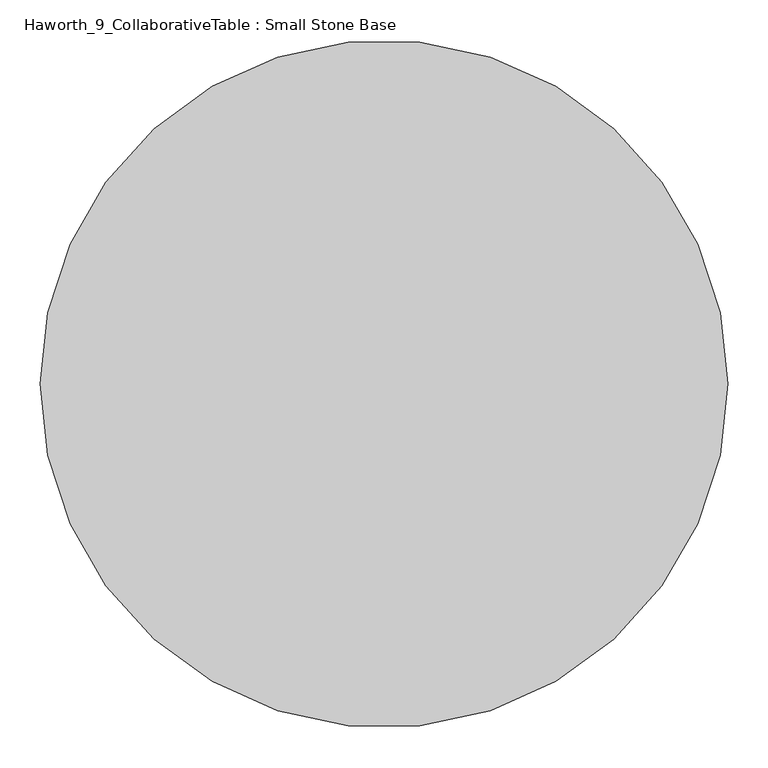
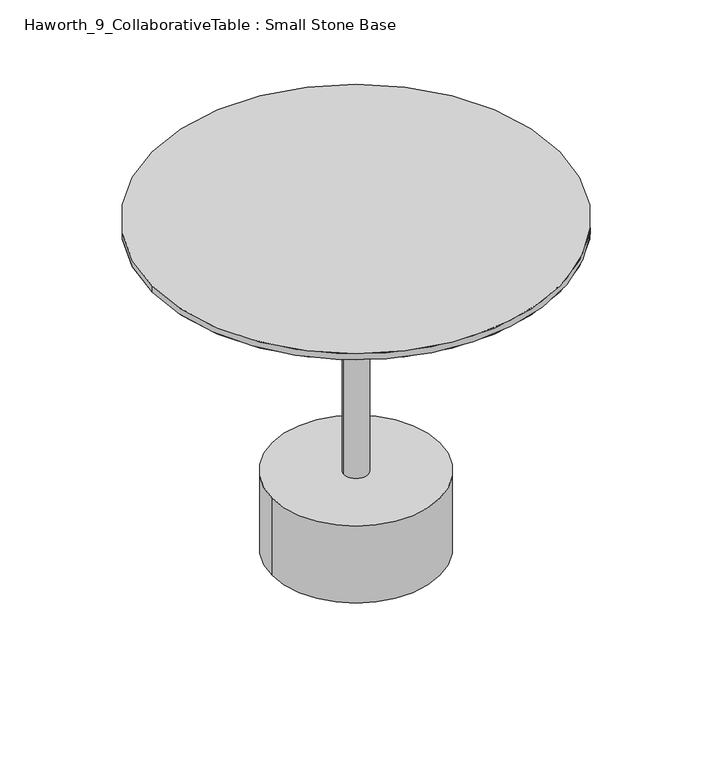
"""IFC4 building model written with IfcOpenShell, lengths in millimetres: furniture geometry, Haworth_9_CollaborativeTable : Small Stone Base."""

from ifc_helpers import new_model, si_unit, point, frame, frame_2d, origin, origin_with_axes, place, context, project, spatial, polyline, circle_curve, trimmed, segment, composite_curve, outline, extrude, source, transform, mapped, element, save
from ifc_brep_helpers import plane_surface, revolved_surface, advanced_brep


def haworth_9_collaborativetable_small_stone_base_5c196dc9(model_context):
    return source(origin(), model_context, "Body", "SolidModel", [
        extrude(outline(composite_curve([segment(trimmed(circle_curve(frame_2d((-155.4452882, -292.1)), 325.2780625), [point((-480.7233507, -292.1))], [point((169.8327744, -292.1))], False, "CARTESIAN"), True, "CONTINUOUS"), segment(trimmed(circle_curve(frame_2d((-155.4452882, -292.1)), 325.2780625), [point((169.8327744, -292.1))], [point((-480.7233507, -292.1))], False, "CARTESIAN"), True, "CONTINUOUS")], self_intersect=False)), frame((0.0, 0.0, 698.9800095), z_axis=(0.0, 0.0, 1.0), x_axis=(1.0, 0.0, 0.0)), (0.0, 0.0, 1.0), 2.9999622),
        advanced_brep(
        [(-448.647757, -292.1027186, 698.9800095), (137.7571807, -292.1027186, 698.9800095), (-155.4452882, -292.1027186, 698.9800095), (-379.8914523, -292.1027186, 674.4799788), (69.000876, -292.1027186, 674.4799788), (-155.4452882, -292.1027186, 674.4799788)],
        [
            (0, 1, circle_curve(frame((-155.4452882, -292.1027186, 698.9800095), z_axis=(0.0, 0.0, 1.0), x_axis=(1.0, 0.0, 0.0)), 293.2024688)),
            (1, 2),
            (2, 0),
            (1, 0, circle_curve(frame((-155.4452882, -292.1027186, 698.9800095), z_axis=(0.0, 0.0, 1.0), x_axis=(1.0, 0.0, 0.0)), 293.2024688)),
            (3, 4, circle_curve(frame((-155.4452882, -292.1027186, 674.4799788), z_axis=(0.0, 0.0, 1.0), x_axis=(1.0, 0.0, 0.0)), 224.4461642)),
            (4, 1),
            (0, 3),
            (4, 3, circle_curve(frame((-155.4452882, -292.1027186, 674.4799788), z_axis=(0.0, 0.0, 1.0), x_axis=(1.0, 0.0, 0.0)), 224.4461642)),
            (5, 4),
            (3, 5),
        ],
        [
            plane_surface(frame((-155.4452882, -292.1027186, 698.9800095), z_axis=(0.0, 0.0, 1.0), x_axis=(1.0, 0.0, 0.0))),
            revolved_surface(polyline([(137.7571807, -292.1027186, 698.9800095), (69.000876, -292.1027186, 674.4799788)]), (-155.4452882, -292.1027186, 696.9852728), (0.0, 0.0, -1.0)),
            plane_surface(frame((-155.4452882, -292.1027186, 674.4799788), z_axis=(0.0, 0.0, -1.0), x_axis=(1.0, 0.0, 0.0))),
        ],
        [
            (0, [[1, 2, 3]]),
            (0, [[4, -3, -2]]),
            (1, [[5, 6, -1, 7]]),
            (1, [[8, -7, -4, -6]]),
            (2, [[9, -5, 10]]),
            (2, [[-10, -8, -9]]),
        ],
    ),
        extrude(outline(composite_curve([segment(trimmed(circle_curve(frame_2d((-155.4452882, -292.1)), 25.1789912), [point((-180.6242793, -292.1))], [point((-130.266297, -292.1))], False, "CARTESIAN"), True, "CONTINUOUS"), segment(trimmed(circle_curve(frame_2d((-155.4452882, -292.1)), 25.1789912), [point((-130.266297, -292.1))], [point((-180.6242793, -292.1))], False, "CARTESIAN"), True, "CONTINUOUS")], self_intersect=False)), frame((0.0, 0.0, 173.1865621), z_axis=(0.0, 0.0, 1.0), x_axis=(1.0, 0.0, 0.0)), (0.0, 0.0, 1.0), 508.7254665),
        extrude(outline(composite_curve([segment(trimmed(circle_curve(frame_2d((-155.4452882, -292.1)), 167.901137), [point((-323.3464252, -292.1))], [point((12.4558489, -292.1))], False, "CARTESIAN"), True, "CONTINUOUS"), segment(trimmed(circle_curve(frame_2d((-155.4452882, -292.1)), 167.901137), [point((12.4558489, -292.1))], [point((-323.3464252, -292.1))], False, "CARTESIAN"), True, "CONTINUOUS")], self_intersect=False)), origin_with_axes(), (0.0, 0.0, 1.0), 3.0065621),
        extrude(outline(composite_curve([segment(trimmed(circle_curve(frame_2d((-155.4452882, -292.1)), 175.3123083), [point((-330.7575964, -292.1))], [point((19.8670201, -292.1))], False, "CARTESIAN"), True, "CONTINUOUS"), segment(trimmed(circle_curve(frame_2d((-155.4452882, -292.1)), 175.3123083), [point((19.8670201, -292.1))], [point((-330.7575964, -292.1))], False, "CARTESIAN"), True, "CONTINUOUS")], self_intersect=False)), frame((0.0, 0.0, 3.0065621), z_axis=(0.0, 0.0, 1.0), x_axis=(1.0, 0.0, 0.0)), (0.0, 0.0, 1.0), 170.18),
        extrude(outline(composite_curve([segment(trimmed(circle_curve(frame_2d((-155.4452882, -292.1)), 425.45), [point((-580.8952882, -292.1))], [point((270.0047118, -292.1))], False, "CARTESIAN"), True, "CONTINUOUS"), segment(trimmed(circle_curve(frame_2d((-155.4452882, -292.1)), 425.45), [point((270.0047118, -292.1))], [point((-580.8952882, -292.1))], False, "CARTESIAN"), True, "CONTINUOUS")], self_intersect=False)), frame((0.0, 0.0, 715.7948988), z_axis=(0.0, 0.0, 1.0), x_axis=(1.0, 0.0, 0.0)), (0.0, 0.0, 1.0), 13.1851012),
        advanced_brep(
        [(-580.8952882, -292.1, 715.7948988), (270.0047118, -292.1, 715.7948988), (-537.7152882, -292.1, 701.9799717), (226.8247118, -292.1, 701.9799717)],
        [
            (0, 1, circle_curve(frame((-155.4452882, -292.1, 715.7948988), z_axis=(0.0, 0.0, 1.0), x_axis=(-1.0, 0.0, 0.0)), 425.45)),
            (1, 0, circle_curve(frame((-155.4452882, -292.1, 715.7948988), z_axis=(0.0, 0.0, 1.0), x_axis=(1.0, 0.0, 0.0)), 425.45)),
            (2, 3, circle_curve(frame((-155.4452882, -292.1, 701.9799717), z_axis=(0.0, 0.0, -1.0), x_axis=(1.0, 0.0, 0.0)), 382.27)),
            (3, 2, circle_curve(frame((-155.4452882, -292.1, 701.9799717), z_axis=(0.0, 0.0, -1.0), x_axis=(-1.0, 0.0, 0.0)), 382.27)),
            (3, 1),
            (0, 2),
        ],
        [
            plane_surface(frame((-155.4452882, -292.1, 715.7948988), z_axis=(0.0, 0.0, 1.0), x_axis=(0.0, -1.0, 0.0))),
            plane_surface(frame((-155.4452882, -292.1, 701.9799717), z_axis=(0.0, 0.0, -1.0), x_axis=(0.0, -1.0, 0.0))),
            revolved_surface(polyline([(226.8247118083969, -292.1, 701.9799717), (270.0047118, -292.1, 715.7948988)]), (-155.4452882, -292.1, 579.6772347), (0.0, 0.0, 1.0)),
            revolved_surface(polyline([(-537.7152882083969, -292.1, 701.9799717), (-580.8952882, -292.1, 715.7948988)]), (-155.4452882, -292.1, 579.6772347), (0.0, 0.0, 1.0)),
        ],
        [
            (0, [[1, 2]]),
            (1, [[3, 4]]),
            (2, [[-4, 5, -1, 6]]),
            (3, [[-3, -6, -2, -5]]),
        ],
    ),
    ])


if __name__ == "__main__":
    model = new_model("IFC4")
    model_context = context("Model", 3, world=origin())
    ifc_project = project(units=[si_unit("LENGTHUNIT", "METRE", prefix="MILLI")], contexts=[model_context])
    site = spatial("IfcSite", under=ifc_project)
    building = spatial("IfcBuilding", under=site)
    placement = place(None, origin())
    haworth_9_collaborativetable_small_stone_base_shape = haworth_9_collaborativetable_small_stone_base_5c196dc9(model_context)
    element("IfcFurniture", 1, ObjectType="Haworth_9_CollaborativeTable : Small Stone Base", at=placement, inside=building, context=model_context, shape_type="MappedRepresentation", body=[
        mapped(haworth_9_collaborativetable_small_stone_base_shape, transform((0.0, 0.0, 0.0), x_axis=(1.0, 0.0, 0.0), y_axis=(0.0, 1.0, 0.0), z_axis=(0.0, 0.0, 1.0))),
    ])
    save(model, "model.ifc")
